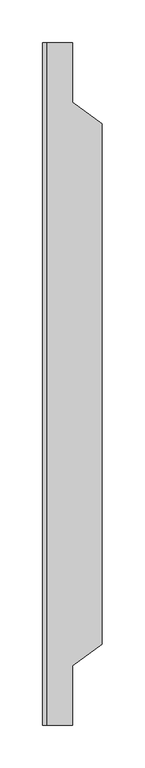
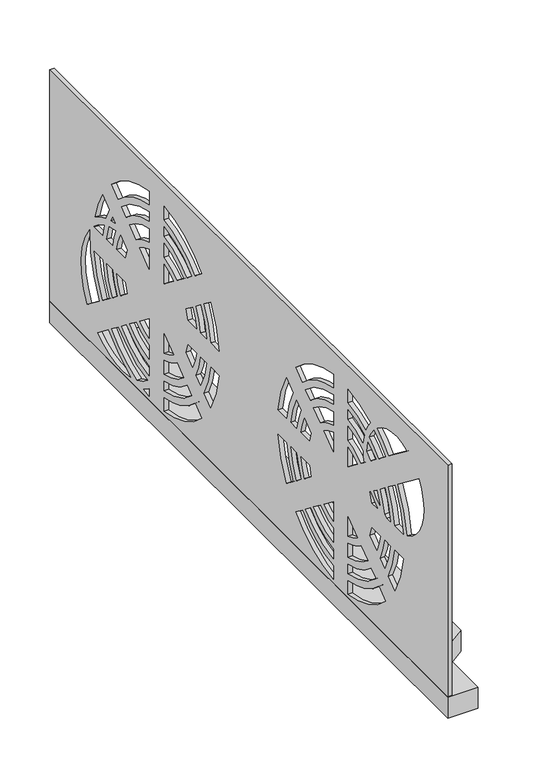
"""IFC4 building model written with IfcOpenShell, lengths in millimetres: proxy geometry."""

from ifc_helpers import new_model, si_unit, point, frame, frame_2d, origin, origin_with_axes, place, context, project, spatial, polyline, circle_curve, trimmed, segment, composite_curve, outline, extrude, source, transform, mapped, element, save


def specialty_equipment_61385310(model_context):
    return source(origin(), model_context, "Body", "SweptSolid", [
        extrude(outline(polyline([(-1157.5, -395.0345723), (-1157.5, 404.9654277), (-1122.5, 404.9654277), (-1122.5, 334.9654277), (-1087.5, 309.9654277), (-1087.5, -300.0345723), (-1122.5, -325.0345723), (-1122.5, -395.0345723), (-1157.5, -395.0345723)])), origin_with_axes(), (0.0, 0.0, 1.0), 26.0),
        extrude(outline(polyline([(-395.0345723, 310.0), (404.9654277, 310.0), (404.9654277, 0.0), (-395.0345723, 0.0), (-395.0345723, 310.0)]), holes=[composite_curve([segment(trimmed(circle_curve(frame_2d((189.9654277, 156.5)), 135.0), [point((324.8474355, 162.143046))], [point((305.4144151, 86.5247809))], False, "CARTESIAN"), True, "CONTINUOUS"), segment(polyline([(305.4144151, 86.5247809), (329.2620503, 68.1596295)]), True, "CONTINUOUS"), segment(trimmed(circle_curve(frame_2d((259.9654277, 112.0)), 82.0), [point((329.2620503, 68.1596295))], [point((324.8474355, 162.143046))], True, "CARTESIAN"), True, "CONTINUOUS")], self_intersect=False), composite_curve([segment(trimmed(circle_curve(frame_2d((259.9654277, 112.0)), 82.0), [point((315.4670051, 172.3620319))], [point((296.0352847, 185.6407863))], True, "CARTESIAN"), True, "CONTINUOUS"), segment(trimmed(circle_curve(frame_2d((189.9654277, 156.5)), 110.0), [point((296.0352847, 185.6407863))], [point((298.9379012, 171.5))], False, "CARTESIAN"), True, "CONTINUOUS"), segment(polyline([(298.9379012, 171.5), (315.5729513, 171.5)]), True, "CONTINUOUS"), segment(trimmed(circle_curve(frame_2d((189.9654275, 156.5)), 126.5000002), [point((315.5729513, 171.5))], [point((315.4670051, 172.3620319))], True, "CARTESIAN"), True, "CONTINUOUS")], self_intersect=False), composite_curve([segment(polyline([(298.6351452, 221.2544785), (285.4553673, 211.1046831)]), True, "CONTINUOUS"), segment(trimmed(circle_curve(frame_2d((189.9654277, 156.5)), 110.0), [point((285.4553673, 211.1046831))], [point((292.4465328, 196.4702777))], False, "CARTESIAN"), True, "CONTINUOUS"), segment(trimmed(circle_curve(frame_2d((259.9654277, 112.0)), 90.5), [point((292.4465328, 196.4702777))], [point((313.1636, 185.2134172))], False, "CARTESIAN"), True, "CONTINUOUS"), segment(trimmed(circle_curve(frame_2d((189.9654277, 156.5)), 126.5), [point((313.1636, 185.2134172))], [point((298.6351452, 221.2544785))], True, "CARTESIAN"), True, "CONTINUOUS")], self_intersect=False), composite_curve([segment(trimmed(circle_curve(frame_2d((189.9654277, 156.5)), 110.0), [point((298.9379012, 141.5))], [point((285.4553673, 101.8953169))], False, "CARTESIAN"), True, "CONTINUOUS"), segment(polyline([(285.4553673, 101.8953169), (298.6351452, 91.7455215)]), True, "CONTINUOUS"), segment(trimmed(circle_curve(frame_2d((189.9654277, 156.5)), 126.5), [point((298.6351452, 91.7455215))], [point((315.5729513, 141.5))], True, "CARTESIAN"), True, "CONTINUOUS"), segment(polyline([(315.5729513, 141.5), (298.9379012, 141.5)]), True, "CONTINUOUS")], self_intersect=False), composite_curve([segment(polyline([(278.6520026, 205.8653869), (273.0476541, 201.5494576)]), True, "CONTINUOUS"), segment(trimmed(circle_curve(frame_2d((259.9654277, 112.0)), 90.5), [point((273.0476541, 201.5494576))], [point((281.7473904, 199.8396044))], False, "CARTESIAN"), True, "CONTINUOUS"), segment(trimmed(circle_curve(frame_2d((189.9654277, 156.5)), 101.5), [point((281.7473904, 199.8396044))], [point((278.6520026, 205.8653869))], True, "CARTESIAN"), True, "CONTINUOUS")], self_intersect=False), composite_curve([segment(trimmed(circle_curve(frame_2d((259.9654277, 112.0)), 82.0), [point((285.8442041, 189.8093113))], [point((272.1949248, 193.0829168))], True, "CARTESIAN"), True, "CONTINUOUS"), segment(trimmed(circle_curve(frame_2d((189.9654277, 156.5)), 90.0), [point((272.1949248, 193.0829168))], [point((278.7066244, 171.5))], False, "CARTESIAN"), True, "CONTINUOUS"), segment(polyline([(278.7066244, 171.5), (290.3509346, 171.5)]), True, "CONTINUOUS"), segment(trimmed(circle_curve(frame_2d((189.9654277, 156.5)), 101.5), [point((290.3509346, 171.5))], [point((285.8442041, 189.8093113))], True, "CARTESIAN"), True, "CONTINUOUS")], self_intersect=False), composite_curve([segment(trimmed(circle_curve(frame_2d((189.9654277, 156.5)), 90.0), [point((278.7066244, 141.5))], [point((269.4263362, 114.2393326))], False, "CARTESIAN"), True, "CONTINUOUS"), segment(polyline([(269.4263362, 114.2393326), (278.6520026, 107.1346131)]), True, "CONTINUOUS"), segment(trimmed(circle_curve(frame_2d((189.9654277, 156.5)), 101.5), [point((278.6520026, 107.1346131))], [point((290.3509346, 141.5))], True, "CARTESIAN"), True, "CONTINUOUS"), segment(polyline([(290.3509346, 141.5), (278.7066244, 141.5)]), True, "CONTINUOUS")], self_intersect=False), composite_curve([segment(polyline([(262.5861378, 193.4930055), (249.2264019, 183.2046238)]), True, "CONTINUOUS"), segment(trimmed(circle_curve(frame_2d((189.9654277, 156.5)), 65.0), [point((249.2264019, 183.2046238))], [point((253.2109809, 171.5))], False, "CARTESIAN"), True, "CONTINUOUS"), segment(polyline([(253.2109809, 171.5), (270.0731676, 171.5)]), True, "CONTINUOUS"), segment(trimmed(circle_curve(frame_2d((189.9654277, 156.5)), 81.5), [point((270.0731676, 171.5))], [point((262.5861378, 193.4930055))], True, "CARTESIAN"), True, "CONTINUOUS")], self_intersect=False), composite_curve([segment(trimmed(circle_curve(frame_2d((189.9654277, 156.5)), 65.0), [point((253.2109809, 141.5))], [point((249.2264019, 129.7953762))], False, "CARTESIAN"), True, "CONTINUOUS"), segment(polyline([(249.2264019, 129.7953762), (262.5861378, 119.5069945)]), True, "CONTINUOUS"), segment(trimmed(circle_curve(frame_2d((189.9654277, 156.5)), 81.5), [point((262.5861378, 119.5069945))], [point((270.0731676, 141.5))], True, "CARTESIAN"), True, "CONTINUOUS"), segment(polyline([(270.0731676, 141.5), (253.2109809, 141.5)]), True, "CONTINUOUS")], self_intersect=False), composite_curve([segment(trimmed(circle_curve(frame_2d((189.9654277, 156.5)), 135.0), [point((287.1100602, 62.7560916))], [point((242.0951563, 31.9709215))], False, "CARTESIAN"), True, "CONTINUOUS"), segment(trimmed(circle_curve(frame_2d((259.9654277, 112.0)), 82.0), [point((242.0951563, 31.9709215))], [point((308.7504103, 46.0907786))], True, "CARTESIAN"), True, "CONTINUOUS"), segment(polyline([(308.7504103, 46.0907786), (287.1100602, 62.7560916)]), True, "CONTINUOUS")], self_intersect=False), composite_curve([segment(trimmed(circle_curve(frame_2d((189.9654277, 156.5)), 110.0), [point((267.1510124, 78.1266276))], [point((208.5912575, 48.0883841))], False, "CARTESIAN"), True, "CONTINUOUS"), segment(trimmed(circle_curve(frame_2d((259.9654277, 112.0)), 82.0), [point((208.5912575, 48.0883841))], [point((228.8612195, 36.1282119))], True, "CARTESIAN"), True, "CONTINUOUS"), segment(trimmed(circle_curve(frame_2d((189.9654277, 156.5)), 126.5), [point((228.8612195, 36.1282119))], [point((280.3307903, 67.9768322))], True, "CARTESIAN"), True, "CONTINUOUS"), segment(polyline([(280.3307903, 67.9768322), (267.1510124, 78.1266276)]), True, "CONTINUOUS")], self_intersect=False), composite_curve([segment(polyline([(204.9654277, 282.1075237), (204.9654277, 265.4724736)]), True, "CONTINUOUS"), segment(trimmed(circle_curve(frame_2d((189.9654277, 156.5)), 110.0), [point((204.9654277, 265.4724736))], [point((267.1510124, 234.8733724))], False, "CARTESIAN"), True, "CONTINUOUS"), segment(polyline([(267.1510124, 234.8733724), (280.3307903, 245.0231678)]), True, "CONTINUOUS"), segment(trimmed(circle_curve(frame_2d((189.9654277, 156.5)), 126.5), [point((280.3307903, 245.0231678))], [point((204.9654277, 282.1075237))], True, "CARTESIAN"), True, "CONTINUOUS")], self_intersect=False), composite_curve([segment(polyline([(204.9654277, 126.0159748), (204.9654277, 102.0275299)]), True, "CONTINUOUS"), segment(trimmed(circle_curve(frame_2d((189.9654277, 156.5)), 56.5), [point((204.9654277, 102.0275299))], [point((223.9712241, 111.3795411))], True, "CARTESIAN"), True, "CONTINUOUS"), segment(polyline([(223.9712241, 111.3795411), (204.9654277, 126.0159748)]), True, "CONTINUOUS")], self_intersect=False), composite_curve([segment(polyline([(204.9654277, 93.2544468), (204.9654277, 76.39226)]), True, "CONTINUOUS"), segment(trimmed(circle_curve(frame_2d((189.9654277, 156.5)), 81.5), [point((204.9654277, 76.39226))], [point((244.2817829, 95.7383052))], True, "CARTESIAN"), True, "CONTINUOUS"), segment(polyline([(244.2817829, 95.7383052), (230.922047, 106.0266869)]), True, "CONTINUOUS"), segment(trimmed(circle_curve(frame_2d((189.9654277, 156.5)), 65.0), [point((230.922047, 106.0266869))], [point((204.9654277, 93.2544468))], False, "CARTESIAN"), True, "CONTINUOUS")], self_intersect=False), composite_curve([segment(polyline([(204.9654277, 210.9724701), (204.9654277, 186.9840252), (223.9712241, 201.6204589)]), True, "CONTINUOUS"), segment(trimmed(circle_curve(frame_2d((189.9654277, 156.5)), 56.5), [point((223.9712241, 201.6204589))], [point((204.9654277, 210.9724701))], True, "CARTESIAN"), True, "CONTINUOUS")], self_intersect=False), composite_curve([segment(trimmed(circle_curve(frame_2d((189.9654277, 156.5)), 81.5), [point((244.2817829, 217.2616948))], [point((204.9654277, 236.60774))], True, "CARTESIAN"), True, "CONTINUOUS"), segment(polyline([(204.9654277, 236.60774), (204.9654277, 219.7455532)]), True, "CONTINUOUS"), segment(trimmed(circle_curve(frame_2d((189.9654277, 156.5)), 65.0), [point((204.9654277, 219.7455532))], [point((230.922047, 206.9733131))], False, "CARTESIAN"), True, "CONTINUOUS"), segment(polyline([(230.922047, 206.9733131), (244.2817829, 217.2616948)]), True, "CONTINUOUS")], self_intersect=False), composite_curve([segment(polyline([(204.9654277, 67.7588033), (204.9654277, 56.1144931)]), True, "CONTINUOUS"), segment(trimmed(circle_curve(frame_2d((189.9654277, 156.5)), 101.5), [point((204.9654277, 56.1144931))], [point((260.3476477, 83.3659238))], True, "CARTESIAN"), True, "CONTINUOUS"), segment(polyline([(260.3476477, 83.3659238), (251.1219813, 90.4706433)]), True, "CONTINUOUS"), segment(trimmed(circle_curve(frame_2d((189.9654277, 156.5)), 90.0), [point((251.1219813, 90.4706433))], [point((204.9654277, 67.7588033))], False, "CARTESIAN"), True, "CONTINUOUS")], self_intersect=False), composite_curve([segment(trimmed(circle_curve(frame_2d((189.9654277, 156.5)), 101.5), [point((260.3476477, 229.6340762))], [point((204.9654277, 256.8855069))], True, "CARTESIAN"), True, "CONTINUOUS"), segment(polyline([(204.9654277, 256.8855069), (204.9654277, 245.2411967)]), True, "CONTINUOUS"), segment(trimmed(circle_curve(frame_2d((189.9654277, 156.5)), 90.0), [point((204.9654277, 245.2411967))], [point((251.1219813, 222.5293567))], False, "CARTESIAN"), True, "CONTINUOUS"), segment(polyline([(251.1219813, 222.5293567), (260.3476477, 229.6340762)]), True, "CONTINUOUS")], self_intersect=False), composite_curve([segment(polyline([(204.9654277, 40.1303263), (204.9654277, 30.8924763)]), True, "CONTINUOUS"), segment(trimmed(circle_curve(frame_2d((189.9654277, 156.5)), 126.5), [point((204.9654277, 30.8924763))], [point((216.2469254, 32.7602211))], True, "CARTESIAN"), True, "CONTINUOUS"), segment(trimmed(circle_curve(frame_2d((259.9654277, 112.0)), 90.5), [point((216.2469254, 32.7602211))], [point((204.9654277, 40.1303263))], False, "CARTESIAN"), True, "CONTINUOUS")], self_intersect=False), composite_curve([segment(polyline([(174.9654277, 126.0159748), (155.9596312, 111.3795411)]), True, "CONTINUOUS"), segment(trimmed(circle_curve(frame_2d((189.9654277, 156.5)), 56.5), [point((155.9596312, 111.3795411))], [point((174.9654277, 102.0275299))], True, "CARTESIAN"), True, "CONTINUOUS"), segment(polyline([(174.9654277, 102.0275299), (174.9654277, 126.0159748)]), True, "CONTINUOUS")], self_intersect=False), composite_curve([segment(trimmed(circle_curve(frame_2d((189.9654277, 156.5)), 56.5), [point((174.9654277, 210.9724701))], [point((155.9596312, 201.6204589))], True, "CARTESIAN"), True, "CONTINUOUS"), segment(polyline([(155.9596312, 201.6204589), (174.9654277, 186.9840252), (174.9654277, 210.9724701)]), True, "CONTINUOUS")], self_intersect=False), composite_curve([segment(polyline([(149.0088083, 106.0266869), (135.6490724, 95.7383052)]), True, "CONTINUOUS"), segment(trimmed(circle_curve(frame_2d((189.9654277, 156.5)), 81.5), [point((135.6490724, 95.7383052))], [point((174.9654277, 76.39226))], True, "CARTESIAN"), True, "CONTINUOUS"), segment(polyline([(174.9654277, 76.39226), (174.9654277, 93.2544468)]), True, "CONTINUOUS"), segment(trimmed(circle_curve(frame_2d((189.9654277, 156.5)), 65.0), [point((174.9654277, 93.2544468))], [point((149.0088083, 106.0266869))], False, "CARTESIAN"), True, "CONTINUOUS")], self_intersect=False), composite_curve([segment(trimmed(circle_curve(frame_2d((189.9654277, 156.5)), 81.5), [point((174.9654277, 236.60774))], [point((135.6490724, 217.2616948))], True, "CARTESIAN"), True, "CONTINUOUS"), segment(polyline([(135.6490724, 217.2616948), (149.0088083, 206.9733131)]), True, "CONTINUOUS"), segment(trimmed(circle_curve(frame_2d((189.9654277, 156.5)), 65.0), [point((149.0088083, 206.9733131))], [point((174.9654277, 219.7455532))], False, "CARTESIAN"), True, "CONTINUOUS"), segment(polyline([(174.9654277, 219.7455532), (174.9654277, 236.60774)]), True, "CONTINUOUS")], self_intersect=False), composite_curve([segment(polyline([(128.808874, 90.4706433), (119.5832076, 83.3659238)]), True, "CONTINUOUS"), segment(trimmed(circle_curve(frame_2d((189.9654277, 156.5)), 101.5), [point((119.5832076, 83.3659238))], [point((174.9654277, 56.1144931))], True, "CARTESIAN"), True, "CONTINUOUS"), segment(polyline([(174.9654277, 56.1144931), (174.9654277, 67.7588033)]), True, "CONTINUOUS"), segment(trimmed(circle_curve(frame_2d((189.9654277, 156.5)), 90.0), [point((174.9654277, 67.7588033))], [point((128.808874, 90.4706433))], False, "CARTESIAN"), True, "CONTINUOUS")], self_intersect=False), composite_curve([segment(trimmed(circle_curve(frame_2d((189.9654277, 156.5)), 101.5), [point((174.9654277, 256.8855069))], [point((119.5832076, 229.6340762))], True, "CARTESIAN"), True, "CONTINUOUS"), segment(polyline([(119.5832076, 229.6340762), (128.808874, 222.5293567)]), True, "CONTINUOUS"), segment(trimmed(circle_curve(frame_2d((189.9654277, 156.5)), 90.0), [point((128.808874, 222.5293567))], [point((174.9654277, 245.2411967))], False, "CARTESIAN"), True, "CONTINUOUS"), segment(polyline([(174.9654277, 245.2411967), (174.9654277, 256.8855069)]), True, "CONTINUOUS")], self_intersect=False), composite_curve([segment(trimmed(circle_curve(frame_2d((189.9654277, 156.5)), 81.5), [point((117.3447175, 193.4930055))], [point((109.8576877, 171.5))], True, "CARTESIAN"), True, "CONTINUOUS"), segment(polyline([(109.8576877, 171.5), (126.7198745, 171.5)]), True, "CONTINUOUS"), segment(trimmed(circle_curve(frame_2d((189.9654277, 156.5)), 65.0), [point((126.7198745, 171.5))], [point((130.7044534, 183.2046238))], False, "CARTESIAN"), True, "CONTINUOUS"), segment(polyline([(130.7044534, 183.2046238), (117.3447175, 193.4930055)]), True, "CONTINUOUS")], self_intersect=False), composite_curve([segment(polyline([(126.7198745, 141.5), (109.8576877, 141.5)]), True, "CONTINUOUS"), segment(trimmed(circle_curve(frame_2d((189.9654277, 156.5)), 81.5), [point((109.8576877, 141.5))], [point((117.3447175, 119.5069945))], True, "CARTESIAN"), True, "CONTINUOUS"), segment(polyline([(117.3447175, 119.5069945), (130.7044534, 129.7953762)]), True, "CONTINUOUS"), segment(trimmed(circle_curve(frame_2d((189.9654277, 156.5)), 65.0), [point((130.7044534, 129.7953762))], [point((126.7198745, 141.5))], False, "CARTESIAN"), True, "CONTINUOUS")], self_intersect=False), composite_curve([segment(polyline([(112.7798429, 78.1266276), (99.600065, 67.9768322)]), True, "CONTINUOUS"), segment(trimmed(circle_curve(frame_2d((189.9654277, 156.5)), 126.5), [point((99.600065, 67.9768322))], [point((174.9654277, 30.8924763))], True, "CARTESIAN"), True, "CONTINUOUS"), segment(polyline([(174.9654277, 30.8924763), (174.9654277, 47.5275264)]), True, "CONTINUOUS"), segment(trimmed(circle_curve(frame_2d((189.9654277, 156.5)), 110.0), [point((174.9654277, 47.5275264))], [point((112.7798429, 78.1266276))], False, "CARTESIAN"), True, "CONTINUOUS")], self_intersect=False), composite_curve([segment(trimmed(circle_curve(frame_2d((189.9654277, 156.5)), 126.5), [point((174.9654277, 282.1075237))], [point((99.600065, 245.0231678))], True, "CARTESIAN"), True, "CONTINUOUS"), segment(polyline([(99.600065, 245.0231678), (112.7798429, 234.8733724)]), True, "CONTINUOUS"), segment(trimmed(circle_curve(frame_2d((189.9654277, 156.5)), 110.0), [point((112.7798429, 234.8733724))], [point((174.9654277, 265.4724736))], False, "CARTESIAN"), True, "CONTINUOUS"), segment(polyline([(174.9654277, 265.4724736), (174.9654277, 282.1075237)]), True, "CONTINUOUS")], self_intersect=False), composite_curve([segment(polyline([(101.2242309, 141.5), (89.5799207, 141.5)]), True, "CONTINUOUS"), segment(trimmed(circle_curve(frame_2d((189.9654277, 156.5)), 101.5), [point((89.5799207, 141.5))], [point((101.2788527, 107.1346131))], True, "CARTESIAN"), True, "CONTINUOUS"), segment(polyline([(101.2788527, 107.1346131), (110.5045191, 114.2393326)]), True, "CONTINUOUS"), segment(trimmed(circle_curve(frame_2d((189.9654277, 156.5)), 90.0), [point((110.5045191, 114.2393326))], [point((101.2242309, 141.5))], False, "CARTESIAN"), True, "CONTINUOUS")], self_intersect=False), composite_curve([segment(trimmed(circle_curve(frame_2d((189.9654277, 156.5)), 101.5), [point((101.2788527, 205.8653869))], [point((89.5799207, 171.5))], True, "CARTESIAN"), True, "CONTINUOUS"), segment(polyline([(89.5799207, 171.5), (101.2242309, 171.5)]), True, "CONTINUOUS"), segment(trimmed(circle_curve(frame_2d((189.9654277, 156.5)), 90.0), [point((101.2242309, 171.5))], [point((110.5045191, 198.7606674))], False, "CARTESIAN"), True, "CONTINUOUS"), segment(polyline([(110.5045191, 198.7606674), (101.2788527, 205.8653869)]), True, "CONTINUOUS")], self_intersect=False), composite_curve([segment(trimmed(circle_curve(frame_2d((189.9654277, 156.5)), 126.5), [point((81.2957101, 221.2544785))], [point((64.357904, 171.5))], True, "CARTESIAN"), True, "CONTINUOUS"), segment(polyline([(64.357904, 171.5), (80.9929541, 171.5)]), True, "CONTINUOUS"), segment(trimmed(circle_curve(frame_2d((189.9654277, 156.5)), 110.0), [point((80.9929541, 171.5))], [point((94.475488, 211.1046831))], False, "CARTESIAN"), True, "CONTINUOUS"), segment(polyline([(94.475488, 211.1046831), (81.2957101, 221.2544785)]), True, "CONTINUOUS")], self_intersect=False), composite_curve([segment(polyline([(80.9929541, 141.5), (64.357904, 141.5)]), True, "CONTINUOUS"), segment(trimmed(circle_curve(frame_2d((189.9654277, 156.5)), 126.5), [point((64.357904, 141.5))], [point((81.2957101, 91.7455215))], True, "CARTESIAN"), True, "CONTINUOUS"), segment(polyline([(81.2957101, 91.7455215), (94.475488, 101.8953169)]), True, "CONTINUOUS"), segment(trimmed(circle_curve(frame_2d((189.9654277, 156.5)), 110.0), [point((94.475488, 101.8953169))], [point((80.9929541, 141.5))], False, "CARTESIAN"), True, "CONTINUOUS")], self_intersect=False), composite_curve([segment(polyline([(-71.3648548, 221.2544785), (-84.5446327, 211.1046831)]), True, "CONTINUOUS"), segment(trimmed(circle_curve(frame_2d((-180.0345723, 156.5)), 110.0), [point((-84.5446327, 211.1046831))], [point((-71.0620988, 171.5))], False, "CARTESIAN"), True, "CONTINUOUS"), segment(polyline([(-71.0620988, 171.5), (-54.4270487, 171.5)]), True, "CONTINUOUS"), segment(trimmed(circle_curve(frame_2d((-180.0345723, 156.5)), 126.5), [point((-54.4270487, 171.5))], [point((-71.3648548, 221.2544785))], True, "CARTESIAN"), True, "CONTINUOUS")], self_intersect=False), composite_curve([segment(trimmed(circle_curve(frame_2d((-180.0345723, 156.5)), 110.0), [point((-71.0620988, 141.5))], [point((-84.5446327, 101.8953169))], False, "CARTESIAN"), True, "CONTINUOUS"), segment(polyline([(-84.5446327, 101.8953169), (-71.3648548, 91.7455215)]), True, "CONTINUOUS"), segment(trimmed(circle_curve(frame_2d((-180.0345723, 156.5)), 126.5), [point((-71.3648548, 91.7455215))], [point((-54.4270487, 141.5))], True, "CARTESIAN"), True, "CONTINUOUS"), segment(polyline([(-54.4270487, 141.5), (-71.0620988, 141.5)]), True, "CONTINUOUS")], self_intersect=False), composite_curve([segment(polyline([(-91.3479974, 205.8653869), (-100.5736638, 198.7606674)]), True, "CONTINUOUS"), segment(trimmed(circle_curve(frame_2d((-180.0345723, 156.5)), 90.0), [point((-100.5736638, 198.7606674))], [point((-91.2933756, 171.5))], False, "CARTESIAN"), True, "CONTINUOUS"), segment(polyline([(-91.2933756, 171.5), (-79.6490654, 171.5)]), True, "CONTINUOUS"), segment(trimmed(circle_curve(frame_2d((-180.0345723, 156.5)), 101.5), [point((-79.6490654, 171.5))], [point((-91.3479974, 205.8653869))], True, "CARTESIAN"), True, "CONTINUOUS")], self_intersect=False), composite_curve([segment(trimmed(circle_curve(frame_2d((-180.0345723, 156.5)), 90.0), [point((-91.2933756, 141.5))], [point((-100.5736638, 114.2393326))], False, "CARTESIAN"), True, "CONTINUOUS"), segment(polyline([(-100.5736638, 114.2393326), (-91.3479974, 107.1346131)]), True, "CONTINUOUS"), segment(trimmed(circle_curve(frame_2d((-180.0345723, 156.5)), 101.5), [point((-91.3479974, 107.1346131))], [point((-79.6490654, 141.5))], True, "CARTESIAN"), True, "CONTINUOUS"), segment(polyline([(-79.6490654, 141.5), (-91.2933756, 141.5)]), True, "CONTINUOUS")], self_intersect=False), composite_curve([segment(trimmed(circle_curve(frame_2d((-180.0345723, 156.5)), 65.0), [point((-116.7890191, 141.5))], [point((-120.7735981, 129.7953762))], False, "CARTESIAN"), True, "CONTINUOUS"), segment(polyline([(-120.7735981, 129.7953762), (-107.4138622, 119.5069945)]), True, "CONTINUOUS"), segment(trimmed(circle_curve(frame_2d((-180.0345723, 156.5)), 81.5), [point((-107.4138622, 119.5069945))], [point((-99.9268324, 141.5))], True, "CARTESIAN"), True, "CONTINUOUS"), segment(polyline([(-99.9268324, 141.5), (-116.7890191, 141.5)]), True, "CONTINUOUS")], self_intersect=False), composite_curve([segment(polyline([(-107.4138622, 193.4930055), (-120.7735981, 183.2046238)]), True, "CONTINUOUS"), segment(trimmed(circle_curve(frame_2d((-180.0345723, 156.5)), 65.0), [point((-120.7735981, 183.2046238))], [point((-116.7890191, 171.5))], False, "CARTESIAN"), True, "CONTINUOUS"), segment(polyline([(-116.7890191, 171.5), (-99.9268324, 171.5)]), True, "CONTINUOUS"), segment(trimmed(circle_curve(frame_2d((-180.0345723, 156.5)), 81.5), [point((-99.9268324, 171.5))], [point((-107.4138622, 193.4930055))], True, "CARTESIAN"), True, "CONTINUOUS")], self_intersect=False), composite_curve([segment(polyline([(-165.0345723, 282.1075237), (-165.0345723, 265.4724736)]), True, "CONTINUOUS"), segment(trimmed(circle_curve(frame_2d((-180.0345723, 156.5)), 110.0), [point((-165.0345723, 265.4724736))], [point((-102.8489876, 234.8733724))], False, "CARTESIAN"), True, "CONTINUOUS"), segment(polyline([(-102.8489876, 234.8733724), (-89.6692097, 245.0231678)]), True, "CONTINUOUS"), segment(trimmed(circle_curve(frame_2d((-180.0345723, 156.5)), 126.5), [point((-89.6692097, 245.0231678))], [point((-165.0345723, 282.1075237))], True, "CARTESIAN"), True, "CONTINUOUS")], self_intersect=False), composite_curve([segment(polyline([(-165.0345723, 126.0159748), (-165.0345723, 102.0275299)]), True, "CONTINUOUS"), segment(trimmed(circle_curve(frame_2d((-180.0345723, 156.5)), 56.5), [point((-165.0345723, 102.0275299))], [point((-146.0287759, 111.3795411))], True, "CARTESIAN"), True, "CONTINUOUS"), segment(polyline([(-146.0287759, 111.3795411), (-165.0345723, 126.0159748)]), True, "CONTINUOUS")], self_intersect=False), composite_curve([segment(polyline([(-165.0345723, 93.2544468), (-165.0345723, 76.39226)]), True, "CONTINUOUS"), segment(trimmed(circle_curve(frame_2d((-180.0345723, 156.5)), 81.5), [point((-165.0345723, 76.39226))], [point((-125.7182171, 95.7383052))], True, "CARTESIAN"), True, "CONTINUOUS"), segment(polyline([(-125.7182171, 95.7383052), (-139.077953, 106.0266869)]), True, "CONTINUOUS"), segment(trimmed(circle_curve(frame_2d((-180.0345723, 156.5)), 65.0), [point((-139.077953, 106.0266869))], [point((-165.0345723, 93.2544468))], False, "CARTESIAN"), True, "CONTINUOUS")], self_intersect=False), composite_curve([segment(polyline([(-165.0345723, 210.9724701), (-165.0345723, 186.9840252), (-146.0287759, 201.6204589)]), True, "CONTINUOUS"), segment(trimmed(circle_curve(frame_2d((-180.0345723, 156.5)), 56.5), [point((-146.0287759, 201.6204589))], [point((-165.0345723, 210.9724701))], True, "CARTESIAN"), True, "CONTINUOUS")], self_intersect=False), composite_curve([segment(trimmed(circle_curve(frame_2d((-180.0345723, 156.5)), 81.5), [point((-125.7182171, 217.2616948))], [point((-165.0345723, 236.60774))], True, "CARTESIAN"), True, "CONTINUOUS"), segment(polyline([(-165.0345723, 236.60774), (-165.0345723, 219.7455532)]), True, "CONTINUOUS"), segment(trimmed(circle_curve(frame_2d((-180.0345723, 156.5)), 65.0), [point((-165.0345723, 219.7455532))], [point((-139.077953, 206.9733131))], False, "CARTESIAN"), True, "CONTINUOUS"), segment(polyline([(-139.077953, 206.9733131), (-125.7182171, 217.2616948)]), True, "CONTINUOUS")], self_intersect=False), composite_curve([segment(polyline([(-165.0345723, 67.7588033), (-165.0345723, 56.1144931)]), True, "CONTINUOUS"), segment(trimmed(circle_curve(frame_2d((-180.0345723, 156.5)), 101.5), [point((-165.0345723, 56.1144931))], [point((-109.6523523, 83.3659238))], True, "CARTESIAN"), True, "CONTINUOUS"), segment(polyline([(-109.6523523, 83.3659238), (-118.8780187, 90.4706433)]), True, "CONTINUOUS"), segment(trimmed(circle_curve(frame_2d((-180.0345723, 156.5)), 90.0), [point((-118.8780187, 90.4706433))], [point((-165.0345723, 67.7588033))], False, "CARTESIAN"), True, "CONTINUOUS")], self_intersect=False), composite_curve([segment(trimmed(circle_curve(frame_2d((-180.0345723, 156.5)), 101.5), [point((-109.6523523, 229.6340762))], [point((-165.0345723, 256.8855069))], True, "CARTESIAN"), True, "CONTINUOUS"), segment(polyline([(-165.0345723, 256.8855069), (-165.0345723, 245.2411967)]), True, "CONTINUOUS"), segment(trimmed(circle_curve(frame_2d((-180.0345723, 156.5)), 90.0), [point((-165.0345723, 245.2411967))], [point((-118.8780187, 222.5293567))], False, "CARTESIAN"), True, "CONTINUOUS"), segment(polyline([(-118.8780187, 222.5293567), (-109.6523523, 229.6340762)]), True, "CONTINUOUS")], self_intersect=False), composite_curve([segment(polyline([(-165.0345723, 47.5275264), (-165.0345723, 30.8924763)]), True, "CONTINUOUS"), segment(trimmed(circle_curve(frame_2d((-180.0345723, 156.5)), 126.5), [point((-165.0345723, 30.8924763))], [point((-89.6692097, 67.9768322))], True, "CARTESIAN"), True, "CONTINUOUS"), segment(polyline([(-89.6692097, 67.9768322), (-102.8489876, 78.1266276)]), True, "CONTINUOUS"), segment(trimmed(circle_curve(frame_2d((-180.0345723, 156.5)), 110.0), [point((-102.8489876, 78.1266276))], [point((-165.0345723, 47.5275264))], False, "CARTESIAN"), True, "CONTINUOUS")], self_intersect=False), composite_curve([segment(polyline([(-195.0345723, 126.0159748), (-214.0403688, 111.3795411)]), True, "CONTINUOUS"), segment(trimmed(circle_curve(frame_2d((-180.0345723, 156.5)), 56.5), [point((-214.0403688, 111.3795411))], [point((-195.0345723, 102.0275299))], True, "CARTESIAN"), True, "CONTINUOUS"), segment(polyline([(-195.0345723, 102.0275299), (-195.0345723, 126.0159748)]), True, "CONTINUOUS")], self_intersect=False), composite_curve([segment(trimmed(circle_curve(frame_2d((-180.0345723, 156.5)), 56.5), [point((-195.0345723, 210.9724701))], [point((-214.0403688, 201.6204589))], True, "CARTESIAN"), True, "CONTINUOUS"), segment(polyline([(-214.0403688, 201.6204589), (-195.0345723, 186.9840252), (-195.0345723, 210.9724701)]), True, "CONTINUOUS")], self_intersect=False), composite_curve([segment(trimmed(circle_curve(frame_2d((-290.0345723, 226.0)), 65.5), [point((-224.5460973, 224.7713274))], [point((-226.266785, 211.0360669))], False, "CARTESIAN"), True, "CONTINUOUS"), segment(polyline([(-226.266785, 211.0360669), (-220.9911917, 206.9733131)]), True, "CONTINUOUS"), segment(trimmed(circle_curve(frame_2d((-180.0345723, 156.5)), 65.0), [point((-220.9911917, 206.9733131))], [point((-195.0345723, 219.7455532))], False, "CARTESIAN"), True, "CONTINUOUS"), segment(polyline([(-195.0345723, 219.7455532), (-195.0345723, 236.60774)]), True, "CONTINUOUS"), segment(trimmed(circle_curve(frame_2d((-180.0345723, 156.5)), 81.5), [point((-195.0345723, 236.60774))], [point((-224.5460973, 224.7713274))], True, "CARTESIAN"), True, "CONTINUOUS")], self_intersect=False), composite_curve([segment(trimmed(circle_curve(frame_2d((-180.0345723, 156.5)), 101.5), [point((-195.0345723, 256.8855069))], [point((-227.6988323, 246.1123224))], True, "CARTESIAN"), True, "CONTINUOUS"), segment(trimmed(circle_curve(frame_2d((-290.0345723, 226.0)), 65.5), [point((-227.6988323, 246.1123224))], [point((-225.0776813, 234.4173815))], False, "CARTESIAN"), True, "CONTINUOUS"), segment(trimmed(circle_curve(frame_2d((-180.0345723, 156.5)), 90.0), [point((-225.0776813, 234.4173815))], [point((-195.0345723, 245.2411967))], False, "CARTESIAN"), True, "CONTINUOUS"), segment(polyline([(-195.0345723, 245.2411967), (-195.0345723, 256.8855069)]), True, "CONTINUOUS")], self_intersect=False), composite_curve([segment(polyline([(-220.9911917, 106.0266869), (-234.3509276, 95.7383052)]), True, "CONTINUOUS"), segment(trimmed(circle_curve(frame_2d((-180.0345723, 156.5)), 81.5), [point((-234.3509276, 95.7383052))], [point((-195.0345723, 76.39226))], True, "CARTESIAN"), True, "CONTINUOUS"), segment(polyline([(-195.0345723, 76.39226), (-195.0345723, 93.2544468)]), True, "CONTINUOUS"), segment(trimmed(circle_curve(frame_2d((-180.0345723, 156.5)), 65.0), [point((-195.0345723, 93.2544468))], [point((-220.9911917, 106.0266869))], False, "CARTESIAN"), True, "CONTINUOUS")], self_intersect=False), composite_curve([segment(trimmed(circle_curve(frame_2d((-180.0345723, 156.5)), 126.5), [point((-195.0345723, 282.1075237))], [point((-239.7762502, 268.004179))], True, "CARTESIAN"), True, "CONTINUOUS"), segment(trimmed(circle_curve(frame_2d((-290.0345723, 226.0)), 65.5), [point((-239.7762502, 268.004179))], [point((-230.8491925, 254.059594))], False, "CARTESIAN"), True, "CONTINUOUS"), segment(trimmed(circle_curve(frame_2d((-180.0345723, 156.5)), 110.0), [point((-230.8491925, 254.059594))], [point((-195.0345723, 265.4724736))], False, "CARTESIAN"), True, "CONTINUOUS"), segment(polyline([(-195.0345723, 265.4724736), (-195.0345723, 282.1075237)]), True, "CONTINUOUS")], self_intersect=False), composite_curve([segment(polyline([(-241.191126, 90.4706433), (-250.4167924, 83.3659238)]), True, "CONTINUOUS"), segment(trimmed(circle_curve(frame_2d((-180.0345723, 156.5)), 101.5), [point((-250.4167924, 83.3659238))], [point((-195.0345723, 56.1144931))], True, "CARTESIAN"), True, "CONTINUOUS"), segment(polyline([(-195.0345723, 56.1144931), (-195.0345723, 67.7588033)]), True, "CONTINUOUS"), segment(trimmed(circle_curve(frame_2d((-180.0345723, 156.5)), 90.0), [point((-195.0345723, 67.7588033))], [point((-241.191126, 90.4706433))], False, "CARTESIAN"), True, "CONTINUOUS")], self_intersect=False), composite_curve([segment(trimmed(circle_curve(frame_2d((-180.0345723, 156.5)), 101.5), [point((-235.2332227, 241.6783952))], [point((-250.4167924, 229.6340762))], True, "CARTESIAN"), True, "CONTINUOUS"), segment(polyline([(-250.4167924, 229.6340762), (-241.191126, 222.5293567)]), True, "CONTINUOUS"), segment(trimmed(circle_curve(frame_2d((-180.0345723, 156.5)), 90.0), [point((-241.191126, 222.5293567))], [point((-233.1230514, 229.1747095))], False, "CARTESIAN"), True, "CONTINUOUS"), segment(trimmed(circle_curve(frame_2d((-290.0345723, 226.0)), 57.0), [point((-233.1230514, 229.1747095))], [point((-235.2332227, 241.6783952))], True, "CARTESIAN"), True, "CONTINUOUS")], self_intersect=False), composite_curve([segment(trimmed(circle_curve(frame_2d((-290.0345723, 226.0)), 65.5), [point((-239.9910015, 183.7401962))], [point((-253.7027681, 171.5))], False, "CARTESIAN"), True, "CONTINUOUS"), segment(polyline([(-253.7027681, 171.5), (-243.2801255, 171.5)]), True, "CONTINUOUS"), segment(trimmed(circle_curve(frame_2d((-180.0345723, 156.5)), 65.0), [point((-243.2801255, 171.5))], [point((-239.2955466, 183.2046238))], False, "CARTESIAN"), True, "CONTINUOUS"), segment(polyline([(-239.2955466, 183.2046238), (-239.9910015, 183.7401962)]), True, "CONTINUOUS")], self_intersect=False), composite_curve([segment(trimmed(circle_curve(frame_2d((-180.0345723, 156.5)), 81.5), [point((-252.6552825, 193.4930055))], [point((-258.505078, 178.5143075))], True, "CARTESIAN"), True, "CONTINUOUS"), segment(trimmed(circle_curve(frame_2d((-290.0345723, 226.0)), 57.0), [point((-258.505078, 178.5143075))], [point((-246.7333163, 188.9324775))], True, "CARTESIAN"), True, "CONTINUOUS"), segment(polyline([(-246.7333163, 188.9324775), (-252.6552825, 193.4930055)]), True, "CONTINUOUS")], self_intersect=False), composite_curve([segment(polyline([(-243.2801255, 141.5), (-260.1423123, 141.5)]), True, "CONTINUOUS"), segment(trimmed(circle_curve(frame_2d((-180.0345723, 156.5)), 81.5), [point((-260.1423123, 141.5))], [point((-252.6552825, 119.5069945))], True, "CARTESIAN"), True, "CONTINUOUS"), segment(polyline([(-252.6552825, 119.5069945), (-239.2955466, 129.7953762)]), True, "CONTINUOUS"), segment(trimmed(circle_curve(frame_2d((-180.0345723, 156.5)), 65.0), [point((-239.2955466, 129.7953762))], [point((-243.2801255, 141.5))], False, "CARTESIAN"), True, "CONTINUOUS")], self_intersect=False), composite_curve([segment(polyline([(-257.2201571, 78.1266276), (-270.399935, 67.9768322)]), True, "CONTINUOUS"), segment(trimmed(circle_curve(frame_2d((-180.0345723, 156.5)), 126.5), [point((-270.399935, 67.9768322))], [point((-195.0345723, 30.8924763))], True, "CARTESIAN"), True, "CONTINUOUS"), segment(polyline([(-195.0345723, 30.8924763), (-195.0345723, 47.5275264)]), True, "CONTINUOUS"), segment(trimmed(circle_curve(frame_2d((-180.0345723, 156.5)), 110.0), [point((-195.0345723, 47.5275264))], [point((-257.2201571, 78.1266276))], False, "CARTESIAN"), True, "CONTINUOUS")], self_intersect=False), composite_curve([segment(trimmed(circle_curve(frame_2d((-180.0345723, 156.5)), 126.5), [point((-247.2512915, 263.6641856))], [point((-270.399935, 245.0231678))], True, "CARTESIAN"), True, "CONTINUOUS"), segment(polyline([(-270.399935, 245.0231678), (-257.2201571, 234.8733724)]), True, "CONTINUOUS"), segment(trimmed(circle_curve(frame_2d((-180.0345723, 156.5)), 110.0), [point((-257.2201571, 234.8733724))], [point((-238.2547424, 249.8295869))], False, "CARTESIAN"), True, "CONTINUOUS"), segment(trimmed(circle_curve(frame_2d((-290.0345723, 226.0)), 57.0), [point((-238.2547424, 249.8295869))], [point((-247.2512915, 263.6641856))], True, "CARTESIAN"), True, "CONTINUOUS")], self_intersect=False), composite_curve([segment(polyline([(-268.7757691, 141.5), (-280.4200793, 141.5)]), True, "CONTINUOUS"), segment(trimmed(circle_curve(frame_2d((-180.0345723, 156.5)), 101.5), [point((-280.4200793, 141.5))], [point((-268.7211473, 107.1346131))], True, "CARTESIAN"), True, "CONTINUOUS"), segment(polyline([(-268.7211473, 107.1346131), (-259.4954809, 114.2393326)]), True, "CONTINUOUS"), segment(trimmed(circle_curve(frame_2d((-180.0345723, 156.5)), 90.0), [point((-259.4954809, 114.2393326))], [point((-268.7757691, 141.5))], False, "CARTESIAN"), True, "CONTINUOUS")], self_intersect=False), composite_curve([segment(trimmed(circle_curve(frame_2d((-180.0345723, 156.5)), 101.5), [point((-268.7211473, 205.8653869))], [point((-280.4200793, 171.5))], True, "CARTESIAN"), True, "CONTINUOUS"), segment(polyline([(-280.4200793, 171.5), (-273.3387645, 171.5)]), True, "CONTINUOUS"), segment(trimmed(circle_curve(frame_2d((-290.0345723, 226.0)), 57.0), [point((-273.3387645, 171.5))], [point((-268.4642339, 173.2390248))], True, "CARTESIAN"), True, "CONTINUOUS"), segment(trimmed(circle_curve(frame_2d((-180.0345723, 156.5)), 90.0), [point((-268.4642339, 173.2390248))], [point((-259.4954809, 198.7606674))], False, "CARTESIAN"), True, "CONTINUOUS"), segment(polyline([(-259.4954809, 198.7606674), (-268.7211473, 205.8653869)]), True, "CONTINUOUS")], self_intersect=False), composite_curve([segment(trimmed(circle_curve(frame_2d((-180.0345723, 156.5)), 126.5), [point((-288.7042899, 221.2544785))], [point((-305.642096, 171.5))], True, "CARTESIAN"), True, "CONTINUOUS"), segment(polyline([(-305.642096, 171.5), (-289.0070459, 171.5)]), True, "CONTINUOUS"), segment(trimmed(circle_curve(frame_2d((-180.0345723, 156.5)), 110.0), [point((-289.0070459, 171.5))], [point((-275.524512, 211.1046831))], False, "CARTESIAN"), True, "CONTINUOUS"), segment(polyline([(-275.524512, 211.1046831), (-288.7042899, 221.2544785)]), True, "CONTINUOUS")], self_intersect=False), composite_curve([segment(polyline([(-289.0070459, 141.5), (-305.642096, 141.5)]), True, "CONTINUOUS"), segment(trimmed(circle_curve(frame_2d((-180.0345723, 156.5)), 126.5), [point((-305.642096, 141.5))], [point((-288.7042899, 91.7455215))], True, "CARTESIAN"), True, "CONTINUOUS"), segment(polyline([(-288.7042899, 91.7455215), (-275.524512, 101.8953169)]), True, "CONTINUOUS"), segment(trimmed(circle_curve(frame_2d((-180.0345723, 156.5)), 110.0), [point((-275.524512, 101.8953169))], [point((-289.0070459, 141.5))], False, "CARTESIAN"), True, "CONTINUOUS")], self_intersect=False), composite_curve([segment(trimmed(circle_curve(frame_2d((-290.0345723, 226.0)), 57.0), [point((-253.5054983, 269.7564481))], [point((-313.2795315, 278.0449025))], True, "CARTESIAN"), True, "CONTINUOUS"), segment(polyline([(-313.2795315, 278.0449025), (-277.1792049, 250.2439084)]), True, "CONTINUOUS"), segment(trimmed(circle_curve(frame_2d((-180.0345723, 156.5)), 135.0), [point((-277.1792049, 250.2439084))], [point((-253.5054983, 269.7564481))], False, "CARTESIAN"), True, "CONTINUOUS")], self_intersect=False), composite_curve([segment(trimmed(circle_curve(frame_2d((-290.0345723, 226.0)), 57.0), [point((-336.9334422, 258.3959257))], [point((-313.8664033, 174.2212028))], True, "CARTESIAN"), True, "CONTINUOUS"), segment(trimmed(circle_curve(frame_2d((-180.0345723, 156.5)), 135.0), [point((-313.8664033, 174.2212028))], [point((-295.4835598, 226.4752191))], False, "CARTESIAN"), True, "CONTINUOUS"), segment(polyline([(-295.4835598, 226.4752191), (-336.9334422, 258.3959257)]), True, "CONTINUOUS")], self_intersect=False)]), frame((-1157.5, 0.0, 0.0), z_axis=(1.0, 0.0, 0.0), x_axis=(0.0, 1.0, 0.0)), (0.0, 0.0, 1.0), 5.0),
    ])


if __name__ == "__main__":
    model = new_model("IFC4")
    model_context = context("Model", 3, world=origin())
    ifc_project = project(units=[si_unit("LENGTHUNIT", "METRE", prefix="MILLI")], contexts=[model_context])
    site = spatial("IfcSite", under=ifc_project)
    building = spatial("IfcBuilding", under=site)
    placement = place(None, origin())
    specialty_equipment_shape = specialty_equipment_61385310(model_context)
    element("IfcBuildingElementProxy", 1, Name="Specialty Equipment", at=placement, inside=building, context=model_context, shape_type="MappedRepresentation", body=[
        mapped(specialty_equipment_shape, transform((0.0, 0.0, 0.0), x_axis=(1.0, 0.0, 0.0), y_axis=(0.0, 1.0, 0.0), z_axis=(0.0, 0.0, 1.0))),
    ])
    save(model, "model.ifc")
